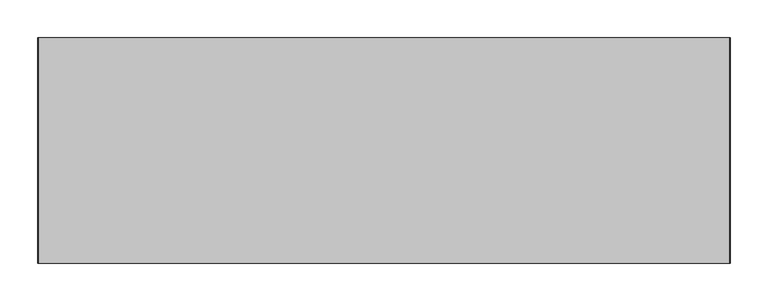
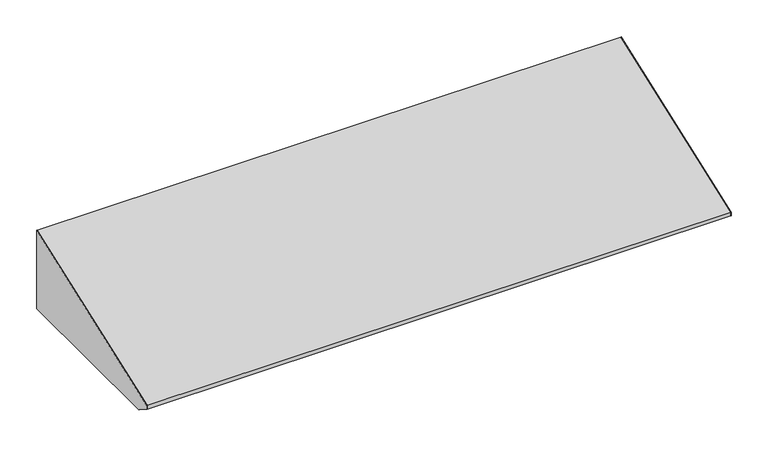
"""IFC4 building model written with IfcOpenShell, lengths in millimetres: furniture geometry."""

from ifc_helpers import new_model, si_unit, frame, origin, place, context, project, spatial, polyline, outline, extrude, source, transform, mapped, element, save


def furniture_66927d1b(model_context):
    return source(origin(), model_context, "Body", "SweptSolid", [
        extrude(outline(polyline([(-21.75256, 2248.7201351), (-21.75256, 2119.3252), (-297.3953187, 2119.3252), (-319.23736, 2133.1563416), (-319.23736, 2139.2785922), (-21.75256, 2248.7201351)])), frame((475.1439549, 0.0, 0.0), z_axis=(1.0, 0.0, 0.0), x_axis=(0.0, 1.0, 0.0)), (0.0, 0.0, 1.0), 0.79375),
        extrude(outline(polyline([(-21.75256, 2119.3252), (-297.3953187, 2119.3252), (-319.23736, 2133.1563416), (-319.23736, 2139.2785922), (-21.75256, 2248.7201351), (-21.75256, 2119.3252)])), frame((-438.4622951, 0.0, 0.0), z_axis=(1.0, 0.0, 0.0), x_axis=(0.0, 1.0, 0.0)), (0.0, 0.0, 1.0), 0.79375),
        extrude(outline(polyline([(456.888502, -284.6953187), (456.888502, -97.8702473), (475.1439549, -97.8702473), (475.1439549, -284.6953187), (456.888502, -284.6953187)])), frame((0.0, 0.0, 2119.3252), z_axis=(0.0, 0.0, 1.0), x_axis=(1.0, 0.0, 0.0)), (0.0, 0.0, 1.0), 0.79375),
        extrude(outline(polyline([(-21.75256, 2119.3252), (-97.5295544, 2119.3252), (-97.5295544, 2120.11895), (-22.54631, 2120.11895), (-22.54631, 2234.2104789), (-21.75256, 2234.2104789), (-21.75256, 2119.3252)])), frame((464.5081836, 0.0, 0.0), z_axis=(1.0, 0.0, 0.0), x_axis=(0.0, 1.0, 0.0)), (0.0, 0.0, 1.0), 10.6357713),
        extrude(outline(polyline([(-21.75256, 2119.3252), (-97.5295544, 2119.3252), (-97.5295544, 2120.11895), (-22.54631, 2120.11895), (-22.54631, 2234.2104789), (-21.75256, 2234.2104789), (-21.75256, 2119.3252)])), frame((-437.6685451, 0.0, 0.0), z_axis=(1.0, 0.0, 0.0), x_axis=(0.0, 1.0, 0.0)), (0.0, 0.0, 1.0), 10.6357713),
        extrude(outline(polyline([(-437.6685451, -284.6953187), (-437.6685451, -97.8702473), (-419.4130922, -97.8702473), (-419.4130922, -284.6953187), (-437.6685451, -284.6953187)])), frame((0.0, 0.0, 2119.3252), z_axis=(0.0, 0.0, 1.0), x_axis=(1.0, 0.0, 0.0)), (0.0, 0.0, 1.0), 0.79375),
        extrude(outline(polyline([(-319.23736, 2139.2785922), (-21.75256, 2248.7201351), (-21.75256, 2234.2104789), (-22.54631, 2234.2104789), (-22.54631, 2247.5838809), (-318.44361, 2138.7241044), (-318.44361, 2133.5932199), (-221.2358067, 2120.11895), (-284.6953187, 2120.11895), (-284.6953187, 2119.3252), (-297.3953187, 2119.3252), (-319.23736, 2133.1563416), (-319.23736, 2139.2785922)])), frame((-437.6685451, 0.0, 0.0), z_axis=(1.0, 0.0, 0.0), x_axis=(0.0, 1.0, 0.0)), (0.0, 0.0, 1.0), 912.8125),
    ])


if __name__ == "__main__":
    model = new_model("IFC4")
    model_context = context("Model", 3, world=origin())
    ifc_project = project(units=[si_unit("LENGTHUNIT", "METRE", prefix="MILLI")], contexts=[model_context])
    site = spatial("IfcSite", under=ifc_project)
    building = spatial("IfcBuilding", under=site)
    placement = place(None, origin())
    furniture_shape = furniture_66927d1b(model_context)
    element("IfcFurniture", 1, at=placement, inside=building, context=model_context, shape_type="MappedRepresentation", body=[
        mapped(furniture_shape, transform((0.0, 0.0, 0.0), x_axis=(1.0, 0.0, 0.0), y_axis=(0.0, 1.0, 0.0), z_axis=(0.0, 0.0, 1.0))),
    ])
    save(model, "model.ifc")
